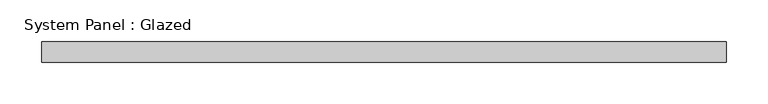
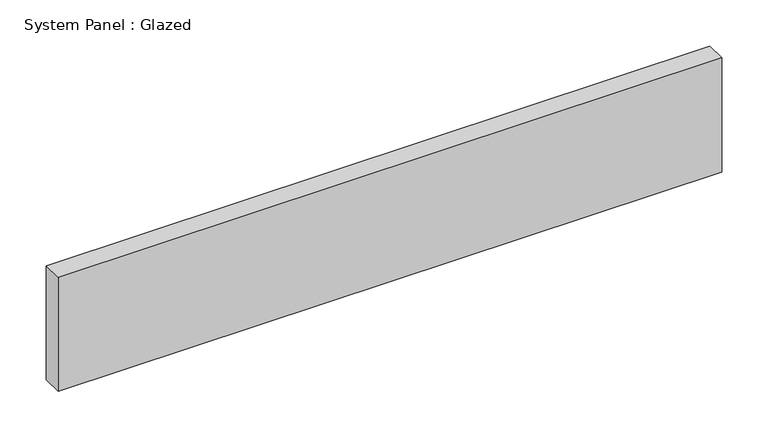
"""IFC4 building model written with IfcOpenShell, lengths in millimetres: plate geometry, System Panel : Glazed."""

import ifcopenshell
import ifcopenshell.guid

model = None  # the IFC model being written
_history = None  # IfcOwnerHistory: only IFC2X3 demands one
_inside = {}  # id of a spatial element -> (the spatial element, [elements in it])
_under = {}  # id of a project, library or spatial element -> (it, [spatial elements below it])
_declared = {}  # id of a project -> (the project, [libraries it declares])
_typed = {}  # id of a type object -> (the type object, [elements of that type])
_made_of = {}  # id of a material, layer set ... -> (it, [elements and type objects made of it])


def new_model(schema):
    """Start an empty IFC model of exactly this schema.

    Asked for "IFC4X3", IfcOpenShell would pick the latest addendum, in which some entities
    have other attributes; the version numbers below select the first issue.
    IFC2X3 requires an IfcOwnerHistory on every rooted entity: one is made here for all.
    """
    global model, _history
    if schema == "IFC4X3":
        model = ifcopenshell.file(schema_version=(4, 3, 0, 0))
    else:
        model = ifcopenshell.file(schema=schema)
    _inside.clear()
    _under.clear()
    _declared.clear()
    _typed.clear()
    _made_of.clear()
    _history = None
    if model.schema == "IFC2X3":
        org = make("IfcOrganization", Name="unknown")
        user = make(
            "IfcPersonAndOrganization",
            ThePerson=make("IfcPerson", FamilyName="unknown"),
            TheOrganization=org,
        )
        app = make(
            "IfcApplication",
            ApplicationDeveloper=org,
            Version="unknown",
            ApplicationFullName="unknown",
            ApplicationIdentifier="unknown",
        )
        _history = make(
            "IfcOwnerHistory",
            OwningUser=user,
            OwningApplication=app,
            ChangeAction="ADDED",
            CreationDate=0,
        )
    return model


def make(cls, **values):
    """One entity of the class cls with the attributes given. An attribute that is None is left unset."""
    return model.create_entity(
        cls, **{name: value for name, value in values.items() if value is not None}
    )


def rooted(cls, **values):
    """An entity with a GlobalId (a new one), such as an element, a storey or a relation."""
    return make(cls, GlobalId=ifcopenshell.guid.new(), OwnerHistory=_history, **values)


def si_unit(unit_type, name, prefix=None):
    """IfcSIUnit, for example si_unit("LENGTHUNIT", "METRE", prefix="MILLI")."""
    return make("IfcSIUnit", UnitType=unit_type, Prefix=prefix, Name=name)


def assignment(units):
    """IfcUnitAssignment: the units of a project."""
    return None if units is None else make("IfcUnitAssignment", Units=units)


def point(xyz):
    """IfcCartesianPoint."""
    return None if xyz is None else make("IfcCartesianPoint", Coordinates=xyz)


def direction(xyz):
    """IfcDirection."""
    return None if xyz is None else make("IfcDirection", DirectionRatios=xyz)


def frame(location, z_axis=None, x_axis=None):
    """IfcAxis2Placement3D, a coordinate frame: its origin and axes. An axis left out is left unset."""
    return make(
        "IfcAxis2Placement3D",
        Location=point(location),
        Axis=direction(z_axis),
        RefDirection=direction(x_axis),
    )


def origin():
    """The frame at (0, 0, 0) with its axes left unset."""
    return frame((0.0, 0.0, 0.0))


def origin_with_axes():
    """The frame at (0, 0, 0) with the z axis (0, 0, 1) and the x axis (1, 0, 0) written out."""
    return frame((0.0, 0.0, 0.0), z_axis=(0.0, 0.0, 1.0), x_axis=(1.0, 0.0, 0.0))


def place(relative_to, where):
    """IfcLocalPlacement: puts the frame where relative to a parent placement (None: the world)."""
    return make(
        "IfcLocalPlacement", PlacementRelTo=relative_to, RelativePlacement=where
    )


def context(
    kind, dimensions, precision=None, world=None, true_north=None, identifier=None
):
    """IfcGeometricRepresentationContext, for example the 3D "Model" context."""
    return make(
        "IfcGeometricRepresentationContext",
        ContextIdentifier=identifier,
        ContextType=kind,
        CoordinateSpaceDimension=dimensions,
        Precision=precision,
        WorldCoordinateSystem=world,
        TrueNorth=true_north,
    )


def project(units=None, contexts=None):
    """IfcProject with its units and contexts."""
    return rooted(
        "IfcProject",
        Name="project",
        RepresentationContexts=contexts,
        UnitsInContext=assignment(units),
    )


def spatial(cls, under=None, at=None, **own):
    """A site, building, storey or space (cls), placed at a placement, below another one or the project."""
    s = rooted(cls, ObjectPlacement=at, **own)
    if under is not None:
        _under.setdefault(under.id(), (under, []))[1].append(s)
    return s


def polyline(points):
    """IfcPolyline through the points."""
    return make("IfcPolyline", Points=[point(p) for p in points])


def outline(outer, holes=None, kind="AREA"):
    """IfcArbitraryClosedProfileDef: a profile drawn as a closed curve; with holes, ...WithVoids."""
    if holes is None:
        return make("IfcArbitraryClosedProfileDef", ProfileType=kind, OuterCurve=outer)
    return make(
        "IfcArbitraryProfileDefWithVoids",
        ProfileType=kind,
        OuterCurve=outer,
        InnerCurves=holes,
    )


def extrude(swept, where, along, depth):
    """IfcExtrudedAreaSolid: the profile swept, set in the frame where, extruded along a direction by depth."""
    return make(
        "IfcExtrudedAreaSolid",
        SweptArea=swept,
        Position=where,
        ExtrudedDirection=direction(along),
        Depth=depth,
    )


def shape(context_of_items, identifier, shape_type, items):
    """IfcShapeRepresentation: the items that make up one representation, for example the "Body"."""
    return make(
        "IfcShapeRepresentation",
        ContextOfItems=context_of_items,
        RepresentationIdentifier=identifier,
        RepresentationType=shape_type,
        Items=items,
    )


def source(mapping_origin, context_of_items, identifier, shape_type, items):
    """IfcRepresentationMap: a shape defined once, which mapped items show again and again."""
    return make(
        "IfcRepresentationMap",
        MappingOrigin=mapping_origin,
        MappedRepresentation=shape(context_of_items, identifier, shape_type, items),
    )


def transform(
    local_origin,
    x_axis=None,
    y_axis=None,
    z_axis=None,
    scale=None,
    scale2=None,
    scale3=None,
    uniform=True,
):
    """IfcCartesianTransformationOperator3D, or its non-uniform kind. x_axis, y_axis, z_axis: its Axis1, 2, 3."""
    if uniform:
        return make(
            "IfcCartesianTransformationOperator3D",
            Axis1=direction(x_axis),
            Axis2=direction(y_axis),
            LocalOrigin=point(local_origin),
            Scale=scale,
            Axis3=direction(z_axis),
        )
    return make(
        "IfcCartesianTransformationOperator3DnonUniform",
        Axis1=direction(x_axis),
        Axis2=direction(y_axis),
        LocalOrigin=point(local_origin),
        Scale=scale,
        Axis3=direction(z_axis),
        Scale2=scale2,
        Scale3=scale3,
    )


def mapped(mapping_source, mapping_target):
    """IfcMappedItem: shows the shape of a source again, moved by a transform."""
    return make(
        "IfcMappedItem", MappingSource=mapping_source, MappingTarget=mapping_target
    )


def made_of(thing, what):
    """Note that an element or type object is made of a material, layer set ...; save() writes the relation."""
    if what is not None:
        _made_of.setdefault(what.id(), (what, []))[1].append(thing)
    return thing


def element(
    cls,
    number,
    at=None,
    inside=None,
    cuts=None,
    type_object=None,
    material=None,
    context=None,
    identifier="Body",
    shape_type=None,
    held_by="IfcProductDefinitionShape",
    body=None,
    shapes=None,
    **own,
):
    """One element of the class cls, such as IfcWall. Its Tag is "e" and its number.

    at: its placement. inside: the storey or other place that contains it. cuts: it is an
    opening in that element (IfcRelVoidsElement). A single representation is given by context,
    identifier, shape_type and body (its items); several are given by shapes. held_by: the class
    of the entity that holds the representations. save() writes the other relations.
    """
    e = rooted(cls, Tag="e%d" % number, ObjectPlacement=at, **own)
    if body is not None:
        shapes = [shape(context, identifier, shape_type, body)]
    if shapes is not None:
        e.Representation = make(held_by, Representations=shapes)
    if inside is not None:
        _inside.setdefault(inside.id(), (inside, []))[1].append(e)
    if cuts is not None:
        rooted(
            "IfcRelVoidsElement", RelatingBuildingElement=cuts, RelatedOpeningElement=e
        )
    if type_object is not None:
        _typed.setdefault(type_object.id(), (type_object, []))[1].append(e)
    return made_of(e, material)


def aggregate(whole, parts):
    """IfcRelAggregates: a whole, such as a stair, and the parts it consists of."""
    return rooted("IfcRelAggregates", RelatingObject=whole, RelatedObjects=parts)


def save(model, path):
    """Write the relations noted so far, then the file.

    IfcRelAggregates (storeys below a building ...), IfcRelContainedInSpatialStructure (elements
    in a storey), IfcRelDefinesByType, IfcRelAssociatesMaterial and IfcRelDeclares: one each for
    every whole, place, type object, material and project.
    """
    for whole, parts in _under.values():
        aggregate(whole, parts)
    for where, things in _inside.values():
        rooted(
            "IfcRelContainedInSpatialStructure",
            RelatedElements=things,
            RelatingStructure=where,
        )
    for kind, things in _typed.values():
        rooted("IfcRelDefinesByType", RelatedObjects=things, RelatingType=kind)
    for what, things in _made_of.values():
        rooted("IfcRelAssociatesMaterial", RelatedObjects=things, RelatingMaterial=what)
    for by, libraries in _declared.values():
        rooted("IfcRelDeclares", RelatingContext=by, RelatedDefinitions=libraries)
    model.write(path)


def system_panel_glazed_51623d38(model_context):
    return source(origin(), model_context, "Body", "SweptSolid", [
        extrude(outline(polyline([(412.5, -49.5), (-412.5, -49.5), (-412.5, -24.5), (412.5, -24.5), (412.5, -49.5)])), origin_with_axes(), (0.0, 0.0, 1.0), 150.0),
    ])


if __name__ == "__main__":
    model = new_model("IFC4")
    model_context = context("Model", 3, world=origin())
    ifc_project = project(units=[si_unit("LENGTHUNIT", "METRE", prefix="MILLI")], contexts=[model_context])
    site = spatial("IfcSite", under=ifc_project)
    building = spatial("IfcBuilding", under=site)
    placement = place(None, origin())
    system_panel_glazed_shape = system_panel_glazed_51623d38(model_context)
    element("IfcPlate", 1, ObjectType="System Panel : Glazed", at=placement, inside=building, context=model_context, shape_type="MappedRepresentation", body=[
        mapped(system_panel_glazed_shape, transform((0.0, 0.0, 0.0), x_axis=(1.0, 0.0, 0.0), y_axis=(0.0, 1.0, 0.0), z_axis=(0.0, 0.0, 1.0))),
    ])
    save(model, "model.ifc")
